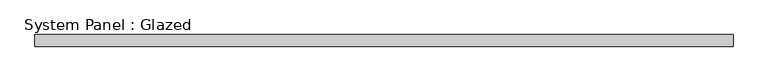
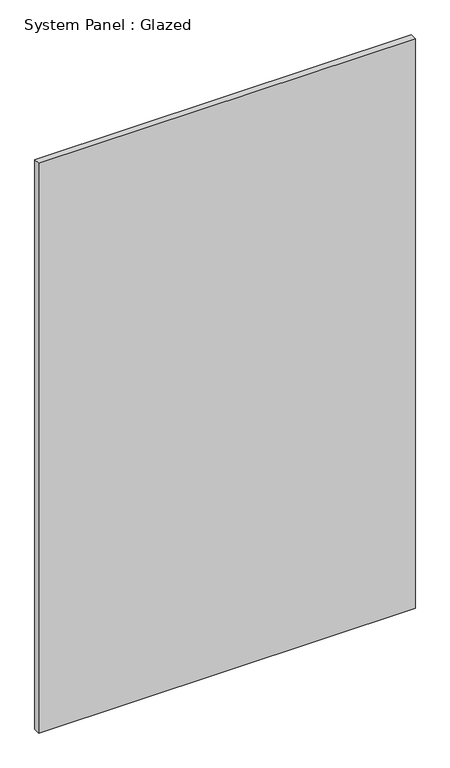
"""IFC4 building model written with IfcOpenShell, lengths in millimetres: plate geometry, System Panel : Glazed."""

from ifc_helpers import new_model, si_unit, origin, origin_with_axes, place, context, project, spatial, polyline, outline, extrude, source, transform, mapped, element, save


def system_panel_glazed_10c4ced8(model_context):
    return source(origin(), model_context, "Body", "SweptSolid", [
        extrude(outline(polyline([(727.502393, 24.5), (-727.502393, 24.5), (-727.502393, 49.5), (727.502393, 49.5), (727.502393, 24.5)])), origin_with_axes(), (0.0, 0.0, 1.0), 2325.0),
    ])


if __name__ == "__main__":
    model = new_model("IFC4")
    model_context = context("Model", 3, world=origin())
    ifc_project = project(units=[si_unit("LENGTHUNIT", "METRE", prefix="MILLI")], contexts=[model_context])
    site = spatial("IfcSite", under=ifc_project)
    building = spatial("IfcBuilding", under=site)
    placement = place(None, origin())
    system_panel_glazed_shape = system_panel_glazed_10c4ced8(model_context)
    element("IfcPlate", 1, ObjectType="System Panel : Glazed", at=placement, inside=building, context=model_context, shape_type="MappedRepresentation", body=[
        mapped(system_panel_glazed_shape, transform((0.0, 0.0, 0.0), x_axis=(1.0, 0.0, 0.0), y_axis=(0.0, 1.0, 0.0), z_axis=(0.0, 0.0, 1.0))),
    ])
    save(model, "model.ifc")
